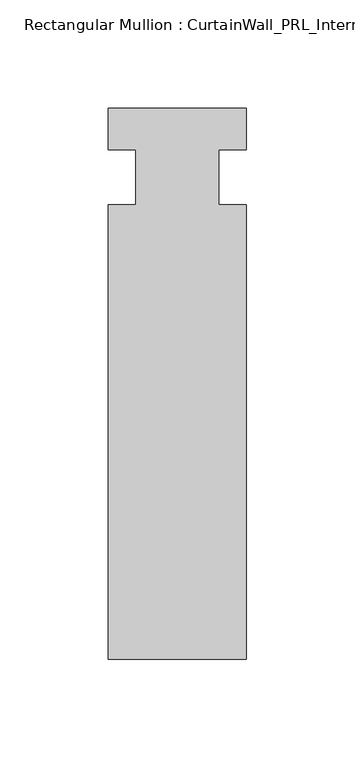
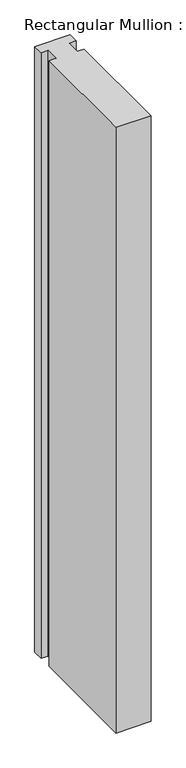
"""IFC4 building model written with IfcOpenShell, lengths in millimetres: member geometry, Rectangular Mullion : CurtainWall_PRL_Intermediate_1002."""

from ifc_helpers import new_model, si_unit, frame, origin, place, context, project, spatial, polyline, outline, extrude, source, transform, mapped, element, save


def rectangular_mullion_curtainwall_prl_intermediate_1002_9f71dfab(model_context):
    return source(origin(), model_context, "Body", "SweptSolid", [
        extrude(outline(polyline([(-19.05, -12.7), (-19.05, 12.7), (-31.75, 12.7), (-31.75, 31.75), (31.75, 31.75), (31.75, 12.7), (19.05, 12.7), (19.05, -12.7), (31.75, -12.7), (31.75, -222.25), (-31.75, -222.25), (-31.75, -12.7), (-19.05, -12.7)])), frame((0.0, 0.0, -1155.7), z_axis=(0.0, 0.0, 1.0), x_axis=(1.0, 0.0, 0.0)), (0.0, 0.0, 1.0), 1155.7),
    ])


if __name__ == "__main__":
    model = new_model("IFC4")
    model_context = context("Model", 3, world=origin())
    ifc_project = project(units=[si_unit("LENGTHUNIT", "METRE", prefix="MILLI")], contexts=[model_context])
    site = spatial("IfcSite", under=ifc_project)
    building = spatial("IfcBuilding", under=site)
    placement = place(None, origin())
    rectangular_mullion_curtainwall_prl_intermediate_1002_shape = rectangular_mullion_curtainwall_prl_intermediate_1002_9f71dfab(model_context)
    element("IfcMember", 1, ObjectType="Rectangular Mullion : CurtainWall_PRL_Intermediate_1002", at=placement, inside=building, context=model_context, shape_type="MappedRepresentation", body=[
        mapped(rectangular_mullion_curtainwall_prl_intermediate_1002_shape, transform((0.0, 0.0, 0.0), x_axis=(1.0, 0.0, 0.0), y_axis=(0.0, 1.0, 0.0), z_axis=(0.0, 0.0, 1.0))),
    ])
    save(model, "model.ifc")
